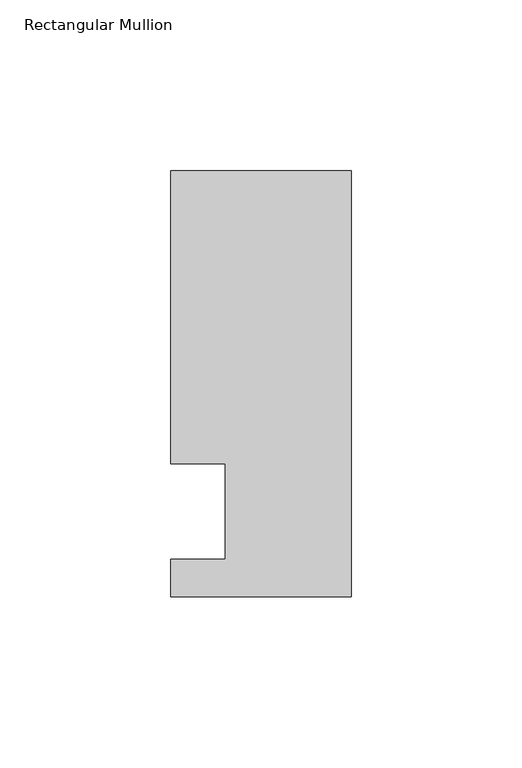
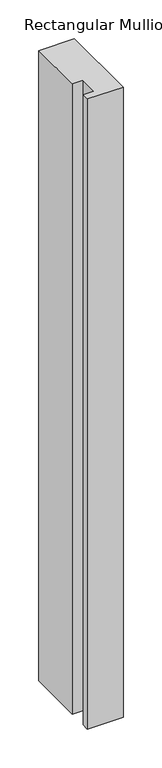
"""IFC4 building model written with IfcOpenShell, lengths in millimetres: member geometry, Rectangular Mullion."""

from ifc_helpers import new_model, si_unit, frame, origin, place, context, project, spatial, polyline, outline, extrude, source, transform, mapped, element, save


def rectangular_mullion_2188ff30(model_context):
    return source(origin(), model_context, "Body", "SweptSolid", [
        extrude(outline(polyline([(0.0, -25.0), (-53.0, -25.0), (-53.0, -14.0), (-37.0, -14.0), (-37.0, 13.9998907), (-53.0, 13.9998907), (-53.0, 100.0), (0.0, 100.0), (0.0, -25.0)])), frame((0.0, 0.0, -990.6623342), z_axis=(0.0, 0.0, 1.0), x_axis=(1.0, 0.0, 0.0)), (0.0, 0.0, 1.0), 990.6623342),
    ])


if __name__ == "__main__":
    model = new_model("IFC4")
    model_context = context("Model", 3, world=origin())
    ifc_project = project(units=[si_unit("LENGTHUNIT", "METRE", prefix="MILLI")], contexts=[model_context])
    site = spatial("IfcSite", under=ifc_project)
    building = spatial("IfcBuilding", under=site)
    placement = place(None, origin())
    rectangular_mullion_shape = rectangular_mullion_2188ff30(model_context)
    element("IfcMember", 1, ObjectType="Rectangular Mullion", at=placement, inside=building, context=model_context, shape_type="MappedRepresentation", body=[
        mapped(rectangular_mullion_shape, transform((0.0, 0.0, 0.0), x_axis=(1.0, 0.0, 0.0), y_axis=(0.0, 1.0, 0.0), z_axis=(0.0, 0.0, 1.0))),
    ])
    save(model, "model.ifc")
